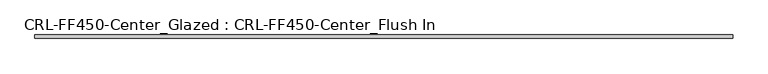
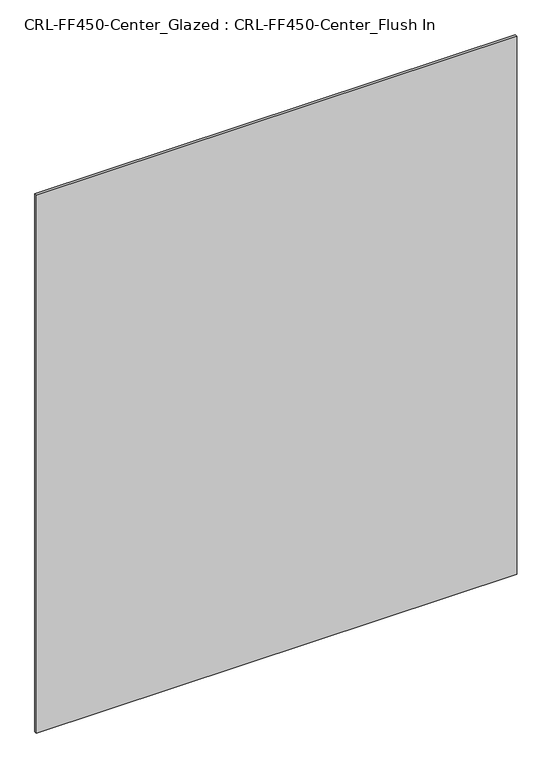
"""IFC4 building model written with IfcOpenShell, lengths in millimetres: plate geometry, CRL-FF450-Center_Glazed : CRL-FF450-Center_Flush In."""

import ifcopenshell
import ifcopenshell.guid

model = None  # the IFC model being written
_history = None  # IfcOwnerHistory: only IFC2X3 demands one
_inside = {}  # id of a spatial element -> (the spatial element, [elements in it])
_under = {}  # id of a project, library or spatial element -> (it, [spatial elements below it])
_declared = {}  # id of a project -> (the project, [libraries it declares])
_typed = {}  # id of a type object -> (the type object, [elements of that type])
_made_of = {}  # id of a material, layer set ... -> (it, [elements and type objects made of it])


def new_model(schema):
    """Start an empty IFC model of exactly this schema.

    Asked for "IFC4X3", IfcOpenShell would pick the latest addendum, in which some entities
    have other attributes; the version numbers below select the first issue.
    IFC2X3 requires an IfcOwnerHistory on every rooted entity: one is made here for all.
    """
    global model, _history
    if schema == "IFC4X3":
        model = ifcopenshell.file(schema_version=(4, 3, 0, 0))
    else:
        model = ifcopenshell.file(schema=schema)
    _inside.clear()
    _under.clear()
    _declared.clear()
    _typed.clear()
    _made_of.clear()
    _history = None
    if model.schema == "IFC2X3":
        org = make("IfcOrganization", Name="unknown")
        user = make(
            "IfcPersonAndOrganization",
            ThePerson=make("IfcPerson", FamilyName="unknown"),
            TheOrganization=org,
        )
        app = make(
            "IfcApplication",
            ApplicationDeveloper=org,
            Version="unknown",
            ApplicationFullName="unknown",
            ApplicationIdentifier="unknown",
        )
        _history = make(
            "IfcOwnerHistory",
            OwningUser=user,
            OwningApplication=app,
            ChangeAction="ADDED",
            CreationDate=0,
        )
    return model


def make(cls, **values):
    """One entity of the class cls with the attributes given. An attribute that is None is left unset."""
    return model.create_entity(
        cls, **{name: value for name, value in values.items() if value is not None}
    )


def rooted(cls, **values):
    """An entity with a GlobalId (a new one), such as an element, a storey or a relation."""
    return make(cls, GlobalId=ifcopenshell.guid.new(), OwnerHistory=_history, **values)


def si_unit(unit_type, name, prefix=None):
    """IfcSIUnit, for example si_unit("LENGTHUNIT", "METRE", prefix="MILLI")."""
    return make("IfcSIUnit", UnitType=unit_type, Prefix=prefix, Name=name)


def assignment(units):
    """IfcUnitAssignment: the units of a project."""
    return None if units is None else make("IfcUnitAssignment", Units=units)


def point(xyz):
    """IfcCartesianPoint."""
    return None if xyz is None else make("IfcCartesianPoint", Coordinates=xyz)


def direction(xyz):
    """IfcDirection."""
    return None if xyz is None else make("IfcDirection", DirectionRatios=xyz)


def frame(location, z_axis=None, x_axis=None):
    """IfcAxis2Placement3D, a coordinate frame: its origin and axes. An axis left out is left unset."""
    return make(
        "IfcAxis2Placement3D",
        Location=point(location),
        Axis=direction(z_axis),
        RefDirection=direction(x_axis),
    )


def origin():
    """The frame at (0, 0, 0) with its axes left unset."""
    return frame((0.0, 0.0, 0.0))


def origin_with_axes():
    """The frame at (0, 0, 0) with the z axis (0, 0, 1) and the x axis (1, 0, 0) written out."""
    return frame((0.0, 0.0, 0.0), z_axis=(0.0, 0.0, 1.0), x_axis=(1.0, 0.0, 0.0))


def place(relative_to, where):
    """IfcLocalPlacement: puts the frame where relative to a parent placement (None: the world)."""
    return make(
        "IfcLocalPlacement", PlacementRelTo=relative_to, RelativePlacement=where
    )


def context(
    kind, dimensions, precision=None, world=None, true_north=None, identifier=None
):
    """IfcGeometricRepresentationContext, for example the 3D "Model" context."""
    return make(
        "IfcGeometricRepresentationContext",
        ContextIdentifier=identifier,
        ContextType=kind,
        CoordinateSpaceDimension=dimensions,
        Precision=precision,
        WorldCoordinateSystem=world,
        TrueNorth=true_north,
    )


def project(units=None, contexts=None):
    """IfcProject with its units and contexts."""
    return rooted(
        "IfcProject",
        Name="project",
        RepresentationContexts=contexts,
        UnitsInContext=assignment(units),
    )


def spatial(cls, under=None, at=None, **own):
    """A site, building, storey or space (cls), placed at a placement, below another one or the project."""
    s = rooted(cls, ObjectPlacement=at, **own)
    if under is not None:
        _under.setdefault(under.id(), (under, []))[1].append(s)
    return s


def polyline(points):
    """IfcPolyline through the points."""
    return make("IfcPolyline", Points=[point(p) for p in points])


def outline(outer, holes=None, kind="AREA"):
    """IfcArbitraryClosedProfileDef: a profile drawn as a closed curve; with holes, ...WithVoids."""
    if holes is None:
        return make("IfcArbitraryClosedProfileDef", ProfileType=kind, OuterCurve=outer)
    return make(
        "IfcArbitraryProfileDefWithVoids",
        ProfileType=kind,
        OuterCurve=outer,
        InnerCurves=holes,
    )


def extrude(swept, where, along, depth):
    """IfcExtrudedAreaSolid: the profile swept, set in the frame where, extruded along a direction by depth."""
    return make(
        "IfcExtrudedAreaSolid",
        SweptArea=swept,
        Position=where,
        ExtrudedDirection=direction(along),
        Depth=depth,
    )


def shape(context_of_items, identifier, shape_type, items):
    """IfcShapeRepresentation: the items that make up one representation, for example the "Body"."""
    return make(
        "IfcShapeRepresentation",
        ContextOfItems=context_of_items,
        RepresentationIdentifier=identifier,
        RepresentationType=shape_type,
        Items=items,
    )


def source(mapping_origin, context_of_items, identifier, shape_type, items):
    """IfcRepresentationMap: a shape defined once, which mapped items show again and again."""
    return make(
        "IfcRepresentationMap",
        MappingOrigin=mapping_origin,
        MappedRepresentation=shape(context_of_items, identifier, shape_type, items),
    )


def transform(
    local_origin,
    x_axis=None,
    y_axis=None,
    z_axis=None,
    scale=None,
    scale2=None,
    scale3=None,
    uniform=True,
):
    """IfcCartesianTransformationOperator3D, or its non-uniform kind. x_axis, y_axis, z_axis: its Axis1, 2, 3."""
    if uniform:
        return make(
            "IfcCartesianTransformationOperator3D",
            Axis1=direction(x_axis),
            Axis2=direction(y_axis),
            LocalOrigin=point(local_origin),
            Scale=scale,
            Axis3=direction(z_axis),
        )
    return make(
        "IfcCartesianTransformationOperator3DnonUniform",
        Axis1=direction(x_axis),
        Axis2=direction(y_axis),
        LocalOrigin=point(local_origin),
        Scale=scale,
        Axis3=direction(z_axis),
        Scale2=scale2,
        Scale3=scale3,
    )


def mapped(mapping_source, mapping_target):
    """IfcMappedItem: shows the shape of a source again, moved by a transform."""
    return make(
        "IfcMappedItem", MappingSource=mapping_source, MappingTarget=mapping_target
    )


def made_of(thing, what):
    """Note that an element or type object is made of a material, layer set ...; save() writes the relation."""
    if what is not None:
        _made_of.setdefault(what.id(), (what, []))[1].append(thing)
    return thing


def element(
    cls,
    number,
    at=None,
    inside=None,
    cuts=None,
    type_object=None,
    material=None,
    context=None,
    identifier="Body",
    shape_type=None,
    held_by="IfcProductDefinitionShape",
    body=None,
    shapes=None,
    **own,
):
    """One element of the class cls, such as IfcWall. Its Tag is "e" and its number.

    at: its placement. inside: the storey or other place that contains it. cuts: it is an
    opening in that element (IfcRelVoidsElement). A single representation is given by context,
    identifier, shape_type and body (its items); several are given by shapes. held_by: the class
    of the entity that holds the representations. save() writes the other relations.
    """
    e = rooted(cls, Tag="e%d" % number, ObjectPlacement=at, **own)
    if body is not None:
        shapes = [shape(context, identifier, shape_type, body)]
    if shapes is not None:
        e.Representation = make(held_by, Representations=shapes)
    if inside is not None:
        _inside.setdefault(inside.id(), (inside, []))[1].append(e)
    if cuts is not None:
        rooted(
            "IfcRelVoidsElement", RelatingBuildingElement=cuts, RelatedOpeningElement=e
        )
    if type_object is not None:
        _typed.setdefault(type_object.id(), (type_object, []))[1].append(e)
    return made_of(e, material)


def aggregate(whole, parts):
    """IfcRelAggregates: a whole, such as a stair, and the parts it consists of."""
    return rooted("IfcRelAggregates", RelatingObject=whole, RelatedObjects=parts)


def save(model, path):
    """Write the relations noted so far, then the file.

    IfcRelAggregates (storeys below a building ...), IfcRelContainedInSpatialStructure (elements
    in a storey), IfcRelDefinesByType, IfcRelAssociatesMaterial and IfcRelDeclares: one each for
    every whole, place, type object, material and project.
    """
    for whole, parts in _under.values():
        aggregate(whole, parts)
    for where, things in _inside.values():
        rooted(
            "IfcRelContainedInSpatialStructure",
            RelatedElements=things,
            RelatingStructure=where,
        )
    for kind, things in _typed.values():
        rooted("IfcRelDefinesByType", RelatedObjects=things, RelatingType=kind)
    for what, things in _made_of.values():
        rooted("IfcRelAssociatesMaterial", RelatedObjects=things, RelatingMaterial=what)
    for by, libraries in _declared.values():
        rooted("IfcRelDeclares", RelatingContext=by, RelatedDefinitions=libraries)
    model.write(path)


def crl_ff450_center_glazed_crl_ff450_center_flush_in_5ce5679e(model_context):
    return source(origin(), model_context, "Body", "SweptSolid", [
        extrude(outline(polyline([(623.8874497, 3.1749999), (623.8874497, -3.1749999), (-623.8874497, -3.1749999), (-623.8874497, 3.1749999), (623.8874497, 3.1749999)])), origin_with_axes(), (0.0, 0.0, 1.0), 1476.9464215),
    ])


if __name__ == "__main__":
    model = new_model("IFC4")
    model_context = context("Model", 3, world=origin())
    ifc_project = project(units=[si_unit("LENGTHUNIT", "METRE", prefix="MILLI")], contexts=[model_context])
    site = spatial("IfcSite", under=ifc_project)
    building = spatial("IfcBuilding", under=site)
    placement = place(None, origin())
    crl_ff450_center_glazed_crl_ff450_center_flush_in_shape = crl_ff450_center_glazed_crl_ff450_center_flush_in_5ce5679e(model_context)
    element("IfcPlate", 1, ObjectType="CRL-FF450-Center_Glazed : CRL-FF450-Center_Flush In", at=placement, inside=building, context=model_context, shape_type="MappedRepresentation", body=[
        mapped(crl_ff450_center_glazed_crl_ff450_center_flush_in_shape, transform((0.0, 0.0, 0.0), x_axis=(1.0, 0.0, 0.0), y_axis=(0.0, 1.0, 0.0), z_axis=(0.0, 0.0, 1.0))),
    ])
    save(model, "model.ifc")
